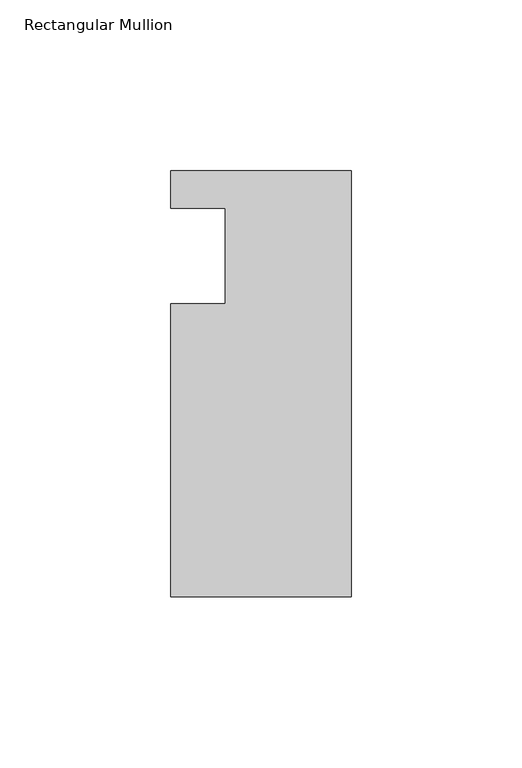
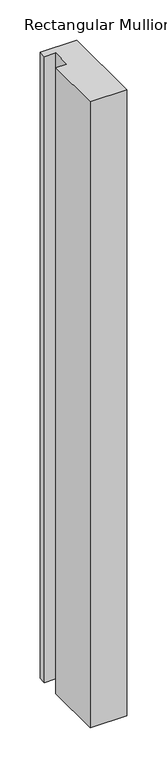
"""IFC4 building model written with IfcOpenShell, lengths in millimetres: member geometry, Rectangular Mullion."""

from ifc_helpers import new_model, si_unit, frame, origin, place, context, project, spatial, polyline, outline, extrude, source, transform, mapped, element, save


def rectangular_mullion_cf0e157d(model_context):
    return source(origin(), model_context, "Body", "SweptSolid", [
        extrude(outline(polyline([(0.0, 25.0), (0.0, -100.0), (-53.0, -100.0), (-53.0, -13.9998907), (-37.0, -13.9998907), (-37.0, 14.0), (-53.0, 14.0), (-53.0, 25.0), (0.0, 25.0)])), frame((0.0, 0.0, -953.6595328), z_axis=(0.0, 0.0, 1.0), x_axis=(1.0, 0.0, 0.0)), (0.0, 0.0, 1.0), 953.6595328),
    ])


if __name__ == "__main__":
    model = new_model("IFC4")
    model_context = context("Model", 3, world=origin())
    ifc_project = project(units=[si_unit("LENGTHUNIT", "METRE", prefix="MILLI")], contexts=[model_context])
    site = spatial("IfcSite", under=ifc_project)
    building = spatial("IfcBuilding", under=site)
    placement = place(None, origin())
    rectangular_mullion_shape = rectangular_mullion_cf0e157d(model_context)
    element("IfcMember", 1, ObjectType="Rectangular Mullion", at=placement, inside=building, context=model_context, shape_type="MappedRepresentation", body=[
        mapped(rectangular_mullion_shape, transform((0.0, 0.0, 0.0), x_axis=(1.0, 0.0, 0.0), y_axis=(0.0, 1.0, 0.0), z_axis=(0.0, 0.0, 1.0))),
    ])
    save(model, "model.ifc")
